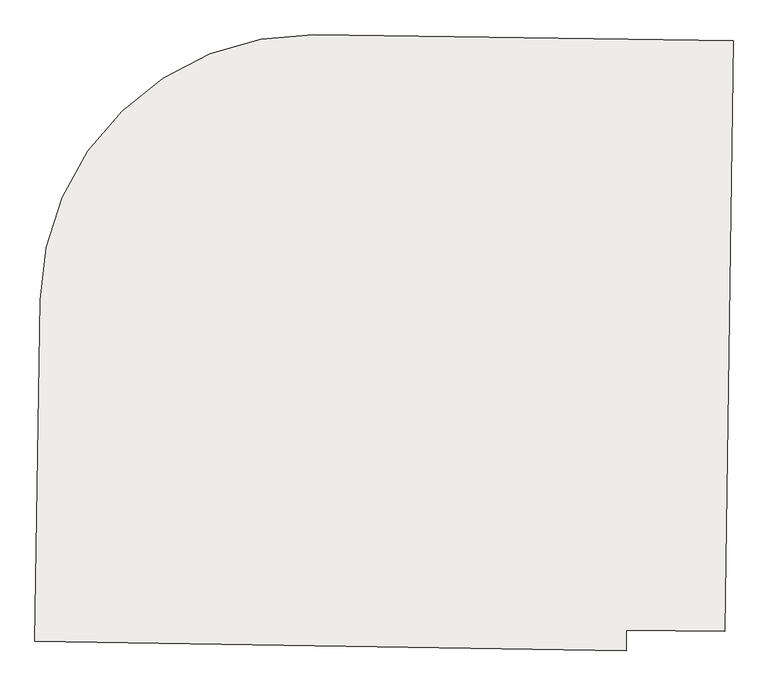
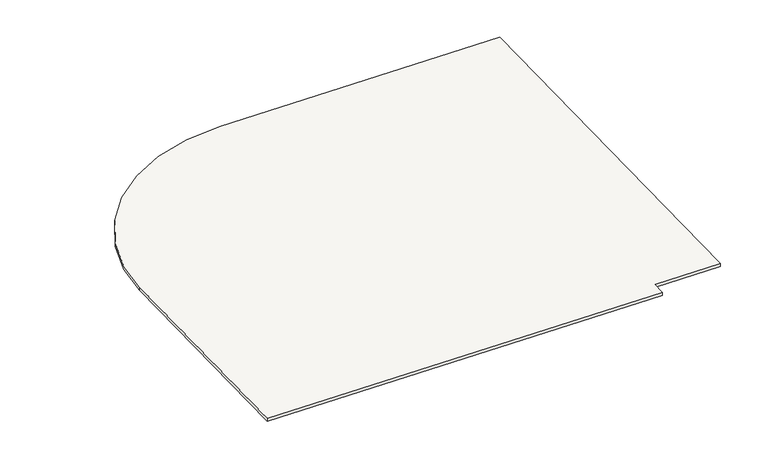
"""IFC4 building model written with IfcOpenShell, lengths in millimetres: slab geometry."""

from ifc_helpers import new_model, si_unit, point, frame, frame_2d, origin, place, context, project, spatial, polyline, circle_curve, trimmed, segment, composite_curve, outline, extrude, source, transform, mapped, element, save


def slab_f3628d0d(model_context):
    return source(origin(), model_context, "Body", "SweptSolid", [
        extrude(outline(composite_curve([segment(polyline([(-140142.9494952, 85772.5013784), (-140143.0173499, 85767.6419613), (-140542.494112, 85773.2200716), (-140543.7947426, 85689.8155192), (-142943.5029794, 85727.2371436), (-142921.8874878, 87113.3574453)]), True, "CONTINUOUS"), segment(trimmed(circle_curve(frame_2d((-141827.0206047, 87096.2838291)), 1095.0), [point((-142921.8874878, 87113.3574453))], [point((-141811.7320172, 88191.1770929))], False, "CARTESIAN"), True, "CONTINUOUS"), segment(polyline([(-141811.7320172, 88191.1770929), (-140109.5081171, 88167.4080189), (-140142.9494952, 85772.5013784)]), True, "CONTINUOUS")], self_intersect=False)), frame((0.0, 0.0, 8608.5), z_axis=(0.0, 0.0, 1.0), x_axis=(1.0, 0.0, 0.0)), (0.0, 0.0, 1.0), 20.0),
    ])


if __name__ == "__main__":
    model = new_model("IFC4")
    model_context = context("Model", 3, world=origin())
    ifc_project = project(units=[si_unit("LENGTHUNIT", "METRE", prefix="MILLI")], contexts=[model_context])
    site = spatial("IfcSite", under=ifc_project)
    building = spatial("IfcBuilding", under=site)
    placement = place(None, origin())
    slab_shape = slab_f3628d0d(model_context)
    element("IfcSlab", 1, at=placement, inside=building, context=model_context, shape_type="MappedRepresentation", body=[
        mapped(slab_shape, transform((0.0, 0.0, 0.0), x_axis=(1.0, 0.0, 0.0), y_axis=(0.0, 1.0, 0.0), z_axis=(0.0, 0.0, 1.0))),
    ])
    save(model, "model.ifc")
